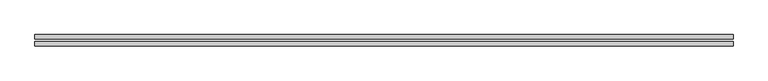
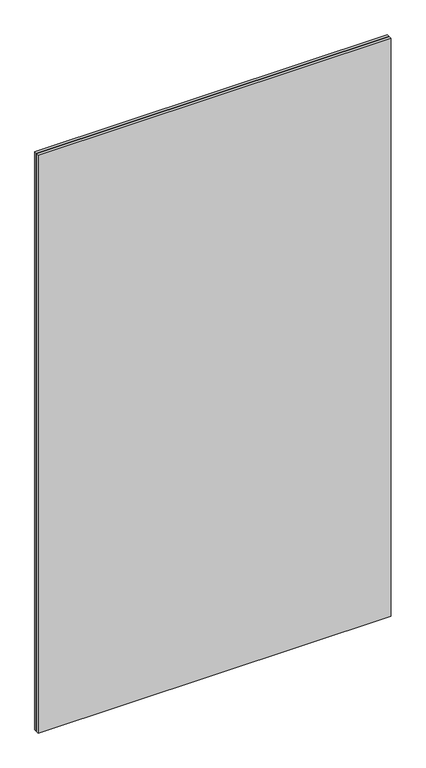
"""IFC4 building model written with IfcOpenShell, lengths in millimetres: plate geometry."""

from ifc_helpers import new_model, si_unit, origin, origin_with_axes, place, context, project, spatial, polyline, outline, extrude, source, transform, mapped, element, save


def plate_2060f627(model_context):
    return source(origin(), model_context, "Body", "SweptSolid", [
        extrude(outline(polyline([(627.75, -2.0), (627.75, -10.0), (-627.75, -10.0), (-627.75, -2.0), (627.75, -2.0)])), origin_with_axes(), (0.0, 0.0, 1.0), 2173.3),
        extrude(outline(polyline([(627.75, 2.0), (-627.75, 2.0), (-627.75, 10.0), (627.75, 10.0), (627.75, 2.0)])), origin_with_axes(), (0.0, 0.0, 1.0), 2173.3),
    ])


if __name__ == "__main__":
    model = new_model("IFC4")
    model_context = context("Model", 3, world=origin())
    ifc_project = project(units=[si_unit("LENGTHUNIT", "METRE", prefix="MILLI")], contexts=[model_context])
    site = spatial("IfcSite", under=ifc_project)
    building = spatial("IfcBuilding", under=site)
    placement = place(None, origin())
    plate_shape = plate_2060f627(model_context)
    element("IfcPlate", 1, at=placement, inside=building, context=model_context, shape_type="MappedRepresentation", body=[
        mapped(plate_shape, transform((0.0, 0.0, 0.0), x_axis=(1.0, 0.0, 0.0), y_axis=(0.0, 1.0, 0.0), z_axis=(0.0, 0.0, 1.0))),
    ])
    save(model, "model.ifc")
